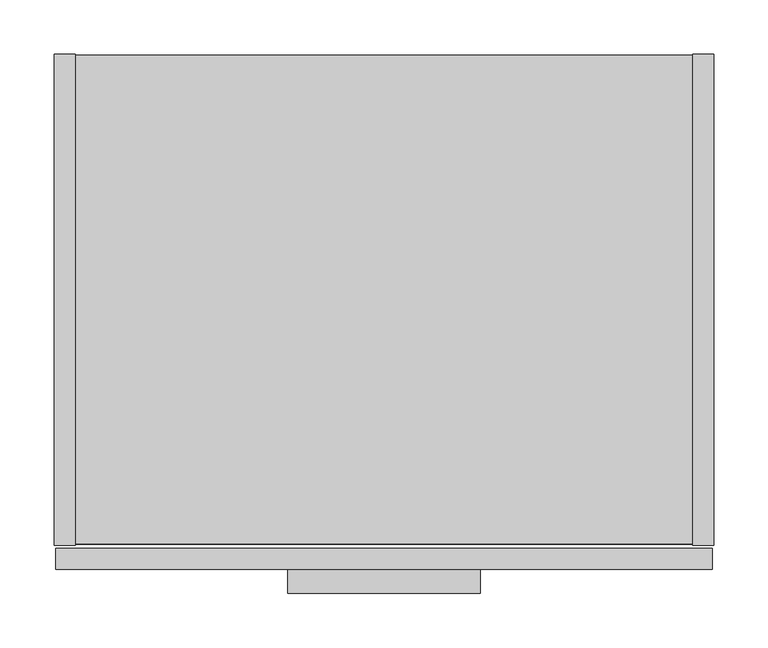
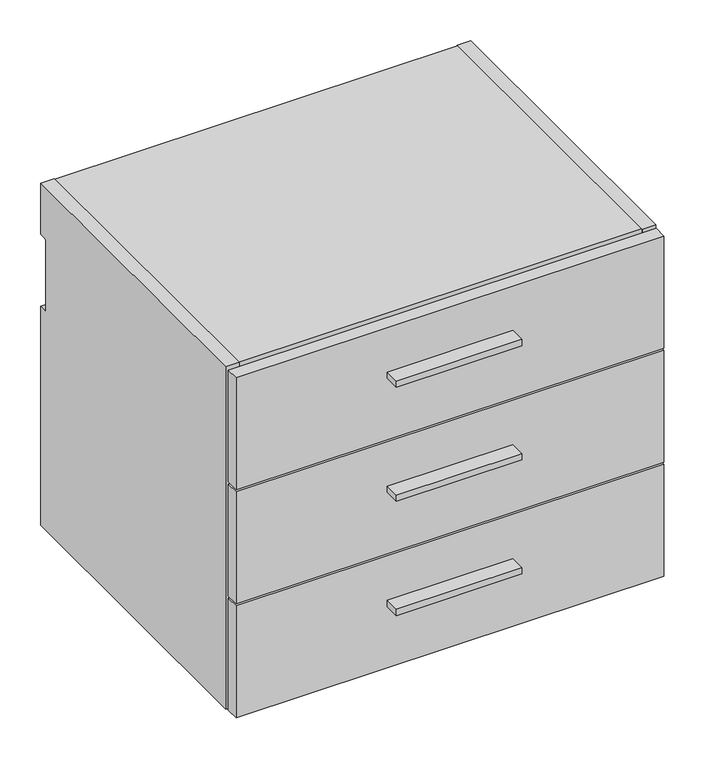
"""IFC4 building model written with IfcOpenShell, lengths in millimetres: furniture geometry."""

from ifc_helpers import new_model, si_unit, point, frame, frame_2d, origin, place, context, project, spatial, polyline, circle_curve, trimmed, segment, composite_curve, outline, extrude, source, transform, mapped, element, save


def furniture_eb357141(model_context):
    return source(origin(), model_context, "Body", "SweptSolid", [
        extrude(outline(polyline([(393.7, -498.729), (215.9, -498.729), (215.9, -476.504), (393.7, -476.504), (393.7, -498.729)])), frame((0.0, 0.0, 759.1425), z_axis=(0.0, 0.0, 1.0), x_axis=(1.0, 0.0, 0.0)), (0.0, 0.0, 1.0), 9.525),
        extrude(outline(polyline([(393.7, -498.729), (215.9, -498.729), (215.9, -476.504), (393.7, -476.504), (393.7, -498.729)])), frame((0.0, 0.0, 588.2767), z_axis=(0.0, 0.0, 1.0), x_axis=(1.0, 0.0, 0.0)), (0.0, 0.0, 1.0), 9.525),
        extrude(outline(polyline([(393.7, -498.729), (215.9, -498.729), (215.9, -476.504), (393.7, -476.504), (393.7, -498.729)])), frame((0.0, 0.0, 417.4109), z_axis=(0.0, 0.0, 1.0), x_axis=(1.0, 0.0, 0.0)), (0.0, 0.0, 1.0), 9.525),
        extrude(outline(polyline([(608.0125, -476.504), (1.5875, -476.504), (1.5875, -457.2), (608.0125, -457.2), (608.0125, -476.504)])), frame((0.0, 0.0, 667.3342), z_axis=(0.0, 0.0, 1.0), x_axis=(1.0, 0.0, 0.0)), (0.0, 0.0, 1.0), 167.6908),
        extrude(outline(polyline([(608.0125, -476.504), (1.5875, -476.504), (1.5875, -457.2), (608.0125, -457.2), (608.0125, -476.504)])), frame((0.0, 0.0, 496.4684), z_axis=(0.0, 0.0, 1.0), x_axis=(1.0, 0.0, 0.0)), (0.0, 0.0, 1.0), 167.6908),
        extrude(outline(polyline([(608.0125, -476.504), (1.5875, -476.504), (1.5875, -457.2), (608.0125, -457.2), (608.0125, -476.504)])), frame((0.0, 0.0, 325.6026), z_axis=(0.0, 0.0, 1.0), x_axis=(1.0, 0.0, 0.0)), (0.0, 0.0, 1.0), 167.6908),
        extrude(outline(composite_curve([segment(polyline([(-454.025, 838.2), (0.0, 838.2), (0.0, 761.492), (-9.3963729, 761.492)]), True, "CONTINUOUS"), segment(trimmed(circle_curve(frame_2d((-9.3963729, 758.1883729)), 3.3036271), [point((-9.3963729, 761.492))], [point((-12.7, 758.1883729))], True, "CARTESIAN"), True, "CONTINUOUS"), segment(polyline([(-12.7, 758.1883729), (-12.7, 656.844)]), True, "CONTINUOUS"), segment(trimmed(circle_curve(frame_2d((-9.398, 656.844)), 3.302), [point((-12.7, 656.844))], [point((-9.398, 653.542))], True, "CARTESIAN"), True, "CONTINUOUS"), segment(polyline([(-9.398, 653.542), (0.0, 653.542), (0.0, 325.628), (-454.025, 325.628), (-454.025, 838.2)]), True, "CONTINUOUS")], self_intersect=False)), frame((590.296, 0.0, 0.0), z_axis=(1.0, 0.0, 0.0), x_axis=(0.0, 1.0, 0.0)), (0.0, 0.0, 1.0), 19.304),
        extrude(outline(polyline([(590.296, -0.9906), (590.296, -453.0344), (19.304, -453.0344), (19.304, -0.9906), (590.296, -0.9906)])), frame((0.0, 0.0, 326.6186), z_axis=(0.0, 0.0, 1.0), x_axis=(1.0, 0.0, 0.0)), (0.0, 0.0, 1.0), 19.304),
        extrude(outline(composite_curve([segment(polyline([(-32.004, 818.896), (-11.938, 818.896), (-11.938, 760.2988429)]), True, "CONTINUOUS"), segment(trimmed(circle_curve(frame_2d((-9.3963729, 758.1883729)), 3.3036271), [point((-11.938, 760.2988429))], [point((-12.7, 758.1883729))], True, "CARTESIAN"), True, "CONTINUOUS"), segment(polyline([(-12.7, 758.1883729), (-12.7, 656.844)]), True, "CONTINUOUS"), segment(trimmed(circle_curve(frame_2d((-9.398, 656.844)), 3.302), [point((-12.7, 656.844))], [point((-11.938, 654.7341175))], True, "CARTESIAN"), True, "CONTINUOUS"), segment(polyline([(-11.938, 654.7341175), (-11.938, 345.9226), (-32.004, 345.9226), (-32.004, 818.896)]), True, "CONTINUOUS")], self_intersect=False)), frame((19.304, 0.0, 0.0), z_axis=(1.0, 0.0, 0.0), x_axis=(0.0, 1.0, 0.0)), (0.0, 0.0, 1.0), 570.992),
        extrude(outline(composite_curve([segment(polyline([(-454.025, 838.2), (0.0, 838.2), (0.0, 761.492), (-9.3963729, 761.492)]), True, "CONTINUOUS"), segment(trimmed(circle_curve(frame_2d((-9.3963729, 758.1883729)), 3.3036271), [point((-9.3963729, 761.492))], [point((-12.7, 758.1883729))], True, "CARTESIAN"), True, "CONTINUOUS"), segment(polyline([(-12.7, 758.1883729), (-12.7, 656.844)]), True, "CONTINUOUS"), segment(trimmed(circle_curve(frame_2d((-9.398, 656.844)), 3.302), [point((-12.7, 656.844))], [point((-9.398, 653.542))], True, "CARTESIAN"), True, "CONTINUOUS"), segment(polyline([(-9.398, 653.542), (0.0, 653.542), (0.0, 325.628), (-454.025, 325.628), (-454.025, 838.2)]), True, "CONTINUOUS")], self_intersect=False)), frame((0.0, 0.0, 0.0), z_axis=(1.0, 0.0, 0.0), x_axis=(0.0, 1.0, 0.0)), (0.0, 0.0, 1.0), 19.304),
        extrude(outline(polyline([(590.296, -453.0344), (19.304, -453.0344), (19.304, -0.9906), (590.296, -0.9906), (590.296, -453.0344)])), frame((0.0, 0.0, 818.896), z_axis=(0.0, 0.0, 1.0), x_axis=(1.0, 0.0, 0.0)), (0.0, 0.0, 1.0), 19.304),
    ])


if __name__ == "__main__":
    model = new_model("IFC4")
    model_context = context("Model", 3, world=origin())
    ifc_project = project(units=[si_unit("LENGTHUNIT", "METRE", prefix="MILLI")], contexts=[model_context])
    site = spatial("IfcSite", under=ifc_project)
    building = spatial("IfcBuilding", under=site)
    placement = place(None, origin())
    furniture_shape = furniture_eb357141(model_context)
    element("IfcFurniture", 1, at=placement, inside=building, context=model_context, shape_type="MappedRepresentation", body=[
        mapped(furniture_shape, transform((0.0, 0.0, 0.0), x_axis=(1.0, 0.0, 0.0), y_axis=(0.0, 1.0, 0.0), z_axis=(0.0, 0.0, 1.0))),
    ])
    save(model, "model.ifc")
